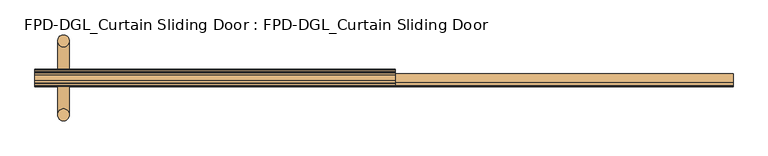
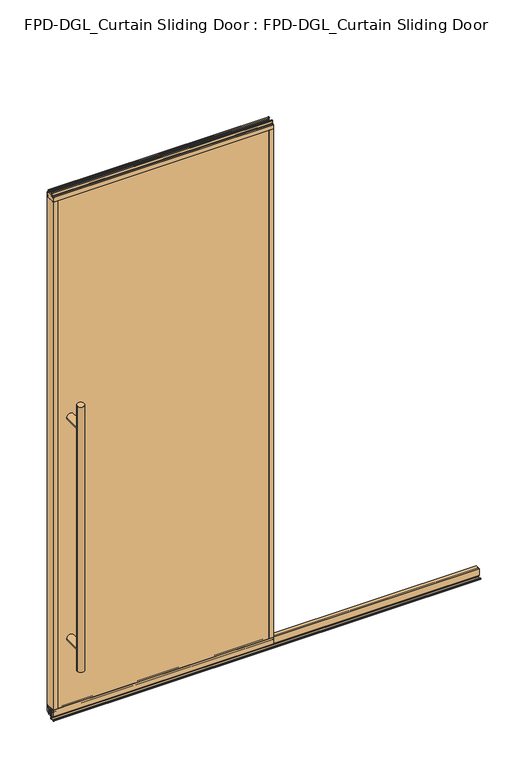
"""IFC4 building model written with IfcOpenShell, lengths in millimetres: door geometry, FPD-DGL_Curtain Sliding Door : FPD-DGL_Curtain Sliding Door."""

from ifc_helpers import new_model, si_unit, point, frame, frame_2d, origin, place, context, project, spatial, polyline, circle_curve, ellipse_curve, trimmed, segment, composite_curve, outline, extrude, source, transform, mapped, element, save
from ifc_brep_helpers import plane_surface, cylinder_surface, advanced_brep


def fpd_dgl_curtain_sliding_door_fpd_dgl_curtain_sliding_door_99ada0b1(model_context):
    return source(origin(), model_context, "Body", "SolidModel", [
        advanced_brep(
        [(-388.1311041, -35.128049, 1473.2), (-419.8811041, -35.128049, 1473.2), (-388.1311041, 162.0969566, 1473.2), (-419.8811041, 162.0969566, 1473.2), (-388.1311041, -35.128049, 254.0), (-419.8811041, -35.128049, 254.0), (-388.1311041, 162.0969566, 254.0), (-419.8811041, 162.0969566, 254.0), (-388.1311041, -35.128049, 1371.6), (-419.8811041, -35.128049, 1371.6), (-419.8811041, -35.128049, 355.6), (-388.1311041, -35.128049, 355.6), (-388.1311041, 162.0969566, 1371.6), (-388.1311041, 162.0969566, 355.6), (-419.8811041, 162.0969566, 355.6), (-419.8811041, 162.0969566, 1371.6)],
        [
            (0, 1, circle_curve(frame((-404.0061041, -35.128049, 1473.2), z_axis=(0.0, 0.0, 1.0), x_axis=(-1.0, 0.0, 0.0)), 15.875)),
            (1, 0, circle_curve(frame((-404.0061041, -35.128049, 1473.2), z_axis=(0.0, 0.0, 1.0), x_axis=(-1.0, 0.0, 0.0)), 15.875)),
            (2, 3, circle_curve(frame((-404.0061041, 162.0969566, 1473.2), z_axis=(0.0, 0.0, 1.0), x_axis=(-1.0, 0.0, 0.0)), 15.875)),
            (3, 2, circle_curve(frame((-404.0061041, 162.0969566, 1473.2), z_axis=(0.0, 0.0, 1.0), x_axis=(-1.0, 0.0, 0.0)), 15.875)),
            (4, 5, circle_curve(frame((-404.0061041, -35.128049, 254.0), z_axis=(0.0, 0.0, -1.0), x_axis=(-1.0, 0.0, 0.0)), 15.875)),
            (5, 4, circle_curve(frame((-404.0061041, -35.128049, 254.0), z_axis=(0.0, 0.0, -1.0), x_axis=(-1.0, 0.0, 0.0)), 15.875)),
            (6, 7, circle_curve(frame((-404.0061041, 162.0969566, 254.0), z_axis=(0.0, 0.0, -1.0), x_axis=(-1.0, 0.0, 0.0)), 15.875)),
            (7, 6, circle_curve(frame((-404.0061041, 162.0969566, 254.0), z_axis=(0.0, 0.0, -1.0), x_axis=(-1.0, 0.0, 0.0)), 15.875)),
            (0, 8),
            (8, 9, ellipse_curve(frame((-404.0061041, -35.128049, 1371.6), z_axis=(0.0, -0.7071067811865525, 0.7071067811865427), x_axis=(0.0, 0.7071067811865427, 0.7071067811865523)), 22.4506403, 15.875)),
            (9, 1),
            (5, 10),
            (10, 11, ellipse_curve(frame((-404.0061041, -35.128049, 355.6), z_axis=(0.0, -0.7071067811865525, -0.7071067811865427), x_axis=(0.0, -0.7071067811865427, 0.7071067811865523)), 22.4506403, 15.875)),
            (11, 4),
            (8, 11),
            (11, 10, ellipse_curve(frame((-404.0061041, -35.128049, 355.6), z_axis=(0.0, -0.7071067811865427, 0.7071067811865525), x_axis=(0.0, 0.7071067811865525, 0.7071067811865425)), 22.4506403, 15.875)),
            (10, 9),
            (9, 8, ellipse_curve(frame((-404.0061041, -35.128049, 1371.6), z_axis=(0.0, -0.7071067811865427, -0.7071067811865525), x_axis=(0.0, -0.7071067811865525, 0.7071067811865425)), 22.4506403, 15.875)),
            (2, 12),
            (12, 13),
            (13, 6),
            (7, 14),
            (14, 15),
            (15, 3),
            (15, 12, ellipse_curve(frame((-404.0061041, 162.0969566, 1371.6), z_axis=(0.0, 0.7071067811865427, 0.7071067811865525), x_axis=(0.0, -0.7071067811865525, 0.7071067811865425)), 22.4506403, 15.875)),
            (13, 14, ellipse_curve(frame((-404.0061041, 162.0969566, 355.6), z_axis=(0.0, 0.7071067811865427, -0.7071067811865525), x_axis=(0.0, 0.7071067811865525, 0.7071067811865425)), 22.4506403, 15.875)),
            (12, 15, ellipse_curve(frame((-404.0061041, 162.0969566, 1371.6), z_axis=(0.0, 0.7071067811865525, -0.7071067811865427), x_axis=(0.0, 0.7071067811865427, 0.7071067811865523)), 22.4506403, 15.875)),
            (14, 13, ellipse_curve(frame((-404.0061041, 162.0969566, 355.6), z_axis=(0.0, 0.7071067811865525, 0.7071067811865427), x_axis=(0.0, -0.7071067811865427, 0.7071067811865523)), 22.4506403, 15.875)),
            (9, 15),
            (12, 8),
            (10, 14),
            (13, 11),
        ],
        [
            plane_surface(frame((-304.8987034, 63.5, 1473.2), z_axis=(0.0, 0.0, 1.0), x_axis=(0.0, -1.0, 0.0))),
            plane_surface(frame((-304.8987034, 63.5, 254.0), z_axis=(0.0, 0.0, -1.0), x_axis=(0.0, -1.0, 0.0))),
            cylinder_surface(frame((-404.0061041, -35.128049, 1473.2), z_axis=(0.0, 0.0, 1.0), x_axis=(-1.0, 0.0, 0.0)), 15.875),
            cylinder_surface(frame((-404.0061041, 162.0969566, 1473.2), z_axis=(0.0, 0.0, 1.0), x_axis=(-1.0, 0.0, 0.0)), 15.875),
            cylinder_surface(frame((-404.0061041, 162.0969566, 1371.6), z_axis=(0.0, -1.0, 0.0), x_axis=(1.0, 0.0, 0.0)), 15.875),
            cylinder_surface(frame((-404.0061041, 63.5, 355.6), z_axis=(0.0, -1.0, 0.0), x_axis=(1.0, 0.0, 0.0)), 15.875),
        ],
        [
            (0, [[1, 2]]),
            (0, [[3, 4]]),
            (1, [[5, 6]]),
            (1, [[7, 8]]),
            (2, [[-1, 9, 10, 11]]),
            (2, [[-6, 12, 13, 14]]),
            (2, [[15, 16, 17, 18]]),
            (2, [[-2, -11, -17, -12, -5, -14, -15, -9]]),
            (3, [[-3, 19, 20, 21, -8, 22, 23, 24]]),
            (3, [[-4, -24, 25, -19]]),
            (3, [[-7, -21, 26, -22]]),
            (3, [[-20, 27, -23, 28]]),
            (4, [[29, -27, 30, -18]]),
            (4, [[-29, -10, -30, -25]]),
            (5, [[31, -26, 32, -13]]),
            (5, [[-31, -16, -32, -28]]),
        ],
    ),
        extrude(outline(composite_curve([segment(trimmed(circle_curve(frame_2d((58.5185794, 1.1714386)), 1.1684), [point((59.6869794, 1.1714386))], [point((58.5185794, 0.0030387))], False, "CARTESIAN"), True, "CONTINUOUS"), segment(polyline([(58.5185794, 0.0030387), (40.8401797, 0.0030387)]), True, "CONTINUOUS"), segment(trimmed(circle_curve(frame_2d((40.8401797, 1.1714386)), 1.1684), [point((40.8401797, 0.0030387))], [point((39.6717797, 1.1714386))], False, "CARTESIAN"), True, "CONTINUOUS"), segment(polyline([(39.6717797, 1.1714386), (39.6717797, 4.0416386)]), True, "CONTINUOUS"), segment(trimmed(circle_curve(frame_2d((40.8401797, 4.0416386)), 1.1684), [point((39.6717797, 4.0416386))], [point((40.8401797, 5.2100386))], False, "CARTESIAN"), True, "CONTINUOUS"), segment(polyline([(40.8401797, 5.2100386), (43.4288569, 5.2100386), (43.4288569, 4.4232339), (40.4337797, 4.4232339), (40.4337797, 0.7650387), (58.9122794, 0.7650387), (58.9122794, 4.3138948), (56.2262294, 4.3138948), (56.2262294, 5.1338386), (58.9336188, 5.1338386)]), True, "CONTINUOUS"), segment(trimmed(circle_curve(frame_2d((58.5185794, 4.0416386)), 1.1684), [point((58.9336188, 5.1338386))], [point((59.6869794, 4.0416386))], False, "CARTESIAN"), True, "CONTINUOUS"), segment(polyline([(59.6869794, 4.0416386), (59.6869794, 1.1714386)]), True, "CONTINUOUS")], self_intersect=False)), frame((-480.2061041, 0.0, 0.0), z_axis=(1.0, 0.0, 0.0), x_axis=(0.0, 1.0, 0.0)), (0.0, 0.0, 1.0), 1862.1122082),
        extrude(outline(composite_curve([segment(polyline([(74.4646139, 41.6030387), (74.4646139, 11.6839647), (73.4646139, 11.6839647), (73.4646139, 33.5017657), (72.0747815, 33.5017657), (72.0747815, 34.3040626), (73.4646139, 34.3040626), (73.4646139, 35.6040627), (62.6646138, 35.6040627), (62.6646138, 34.3040626), (64.0544462, 34.3040626), (64.0544462, 33.5017657), (62.6646138, 33.5017657), (62.6646138, 11.6839647), (61.0646135, 11.6839647), (61.0646135, 39.1243868)]), True, "CONTINUOUS"), segment(trimmed(circle_curve(frame_2d((60.0857402, 39.1243868)), 0.9788733), [point((61.0646135, 39.1243868))], [point((60.0857402, 40.1032601))], True, "CARTESIAN"), True, "CONTINUOUS"), segment(polyline([(60.0857402, 40.1032601), (54.9969627, 40.1032601)]), True, "CONTINUOUS"), segment(trimmed(circle_curve(frame_2d((54.9969627, 39.1709995)), 0.9322606), [point((54.9969627, 40.1032601))], [point((54.064702, 39.1709995))], True, "CARTESIAN"), True, "CONTINUOUS"), segment(polyline([(54.064702, 39.1709995), (54.064702, 11.6839647), (52.5646141, 11.6839647), (52.5646141, 41.6030387), (74.4646139, 41.6030387)]), True, "CONTINUOUS")], self_intersect=False)), frame((-480.2061041, 0.0, 0.0), z_axis=(1.0, 0.0, 0.0), x_axis=(0.0, 1.0, 0.0)), (0.0, 0.0, 1.0), 1862.1122082),
        extrude(outline(composite_curve([segment(polyline([(49.1758097, 48.6471016), (77.8241903, 48.6471016), (77.8241903, 47.6299627), (76.4571771, 47.6299627), (76.4571771, 41.3613764)]), True, "CONTINUOUS"), segment(trimmed(circle_curve(frame_2d((78.772652, 41.3613764)), 2.3154748), [point((76.4571771, 41.3613764))], [point((78.772652, 39.0459016))], True, "CARTESIAN"), True, "CONTINUOUS"), segment(polyline([(78.772652, 39.0459016), (83.7603754, 39.0522555)]), True, "CONTINUOUS"), segment(trimmed(circle_curve(frame_2d((83.662177, 39.8079016)), 0.762), [point((83.7603754, 39.0522555))], [point((84.424177, 39.8079016))], True, "CARTESIAN"), True, "CONTINUOUS"), segment(polyline([(84.424177, 39.8079016), (84.424177, 48.6471016), (85.7241745, 48.6471016), (85.7241745, 19.0059017), (76.6027622, 19.0059017), (76.6027622, 15.875), (74.6984721, 15.875), (74.6984721, 47.0470737), (52.3015279, 47.0470737), (52.3015279, 15.875), (50.3972378, 15.875), (50.3972378, 19.0059017), (41.2758255, 19.0059017), (41.2758255, 48.6471016), (42.575823, 48.6471016), (42.575823, 39.8079016)]), True, "CONTINUOUS"), segment(trimmed(circle_curve(frame_2d((43.337823, 39.8079016)), 0.762), [point((42.575823, 39.8079016))], [point((43.2396246, 39.0522555))], True, "CARTESIAN"), True, "CONTINUOUS"), segment(polyline([(43.2396246, 39.0522555), (48.227348, 39.0459016)]), True, "CONTINUOUS"), segment(trimmed(circle_curve(frame_2d((48.227348, 41.3613764)), 2.3154748), [point((48.227348, 39.0459016))], [point((50.5428229, 41.3613764))], True, "CARTESIAN"), True, "CONTINUOUS"), segment(polyline([(50.5428229, 41.3613764), (50.5428229, 47.6299627), (49.1758097, 47.6299627), (49.1758097, 48.6471016)]), True, "CONTINUOUS")], self_intersect=False)), frame((-480.2061041, 0.0, 0.0), z_axis=(1.0, 0.0, 0.0), x_axis=(0.0, 1.0, 0.0)), (0.0, 0.0, 1.0), 960.4122082),
        extrude(outline(composite_curve([segment(polyline([(55.1000175, 2419.5752356), (55.1000175, 2417.5752396), (51.5000248, 2417.5752396), (51.5000248, 2409.0752566)]), True, "CONTINUOUS"), segment(trimmed(circle_curve(frame_2d((52.0000238, 2409.0752566)), 0.499999), [point((51.5000248, 2409.0752566))], [point((52.0000238, 2408.5752576))], True, "CARTESIAN"), True, "CONTINUOUS"), segment(polyline([(52.0000238, 2408.5752576), (74.9999762, 2408.5752576)]), True, "CONTINUOUS"), segment(trimmed(circle_curve(frame_2d((74.9999762, 2409.0752566)), 0.499999), [point((74.9999762, 2408.5752576))], [point((75.4999752, 2409.0752566))], True, "CARTESIAN"), True, "CONTINUOUS"), segment(polyline([(75.4999752, 2409.0752566), (75.4999752, 2417.5752396), (71.8999825, 2417.5752396), (71.8999825, 2419.5752356), (76.9046588, 2419.5752356)]), True, "CONTINUOUS"), segment(trimmed(circle_curve(frame_2d((76.9046588, 2418.9799231)), 0.5953125), [point((76.9046588, 2419.5752356))], [point((77.4999713, 2418.9799231))], False, "CARTESIAN"), True, "CONTINUOUS"), segment(polyline([(77.4999713, 2418.9799231), (77.4999713, 2407.6119214)]), True, "CONTINUOUS"), segment(trimmed(circle_curve(frame_2d((79.4190752, 2407.6119214)), 1.919104), [point((77.4999713, 2407.6119214))], [point((79.4190752, 2405.6928175))], True, "CARTESIAN"), True, "CONTINUOUS"), segment(polyline([(79.4190752, 2405.6928175), (84.9249567, 2405.6928175)]), True, "CONTINUOUS"), segment(trimmed(circle_curve(frame_2d((84.9249567, 2404.8928191)), 0.7999984), [point((84.9249567, 2405.6928175))], [point((85.7249551, 2404.8928191))], False, "CARTESIAN"), True, "CONTINUOUS"), segment(polyline([(85.7249551, 2404.8928191), (85.7249551, 2386.0078176), (84.4249577, 2386.0078176), (84.4249577, 2396.1077976)]), True, "CONTINUOUS"), segment(trimmed(circle_curve(frame_2d((83.9249587, 2396.1077976)), 0.499999), [point((84.4249577, 2396.1077976))], [point((83.9249587, 2396.6077966))], True, "CARTESIAN"), True, "CONTINUOUS"), segment(polyline([(83.9249587, 2396.6077966), (77.8249714, 2396.6077966), (77.8249714, 2386.0078176), (49.1750289, 2386.0078176), (49.1750289, 2396.6077966), (43.0750413, 2396.6077966)]), True, "CONTINUOUS"), segment(trimmed(circle_curve(frame_2d((43.0750413, 2396.1077976)), 0.499999), [point((43.0750413, 2396.6077966))], [point((42.5750423, 2396.1077976))], True, "CARTESIAN"), True, "CONTINUOUS"), segment(polyline([(42.5750423, 2396.1077976), (42.5750423, 2386.0078176), (41.2750446, 2386.0078176), (41.2750446, 2404.8928191)]), True, "CONTINUOUS"), segment(trimmed(circle_curve(frame_2d((42.0750432, 2404.8928191)), 0.7999985), [point((41.2750446, 2404.8928191))], [point((42.0750432, 2405.6928176))], False, "CARTESIAN"), True, "CONTINUOUS"), segment(polyline([(42.0750432, 2405.6928176), (47.5809248, 2405.6928176)]), True, "CONTINUOUS"), segment(trimmed(circle_curve(frame_2d((47.5809248, 2407.6119216)), 1.919104), [point((47.5809248, 2405.6928176))], [point((49.5000287, 2407.6119216))], True, "CARTESIAN"), True, "CONTINUOUS"), segment(polyline([(49.5000287, 2407.6119216), (49.5000287, 2418.9799231)]), True, "CONTINUOUS"), segment(trimmed(circle_curve(frame_2d((50.0953412, 2418.9799231)), 0.5953125), [point((49.5000287, 2418.9799231))], [point((50.0953412, 2419.5752356))], False, "CARTESIAN"), True, "CONTINUOUS"), segment(polyline([(50.0953412, 2419.5752356), (55.1000175, 2419.5752356)]), True, "CONTINUOUS")], self_intersect=False)), frame((-480.2061041, 0.0, 0.0), z_axis=(1.0, 0.0, 0.0), x_axis=(0.0, 1.0, 0.0)), (0.0, 0.0, 1.0), 960.4122082),
        extrude(outline(polyline([(470.2692551, 84.4265993), (470.2692551, 77.825), (-470.2692551, 77.825), (-470.2692551, 84.4265993), (470.2692551, 84.4265993)])), frame((0.0, 0.0, 39.1580021), z_axis=(0.0, 0.0, 1.0), x_axis=(1.0, 0.0, 0.0)), (0.0, 0.0, 1.0), 2357.1832522),
        extrude(outline(polyline([(-470.2692551, 49.175), (470.2692551, 49.175), (470.2692551, 42.5734007), (-470.2692551, 42.5734007), (-470.2692551, 49.175)])), frame((0.0, 0.0, 39.1580021), z_axis=(0.0, 0.0, 1.0), x_axis=(1.0, 0.0, 0.0)), (0.0, 0.0, 1.0), 2357.1832522),
        extrude(outline(composite_curve([segment(polyline([(-480.2061041, 85.725), (-459.6692551, 85.725), (-459.6692551, 84.4265993), (-469.7612551, 84.4265993)]), True, "CONTINUOUS"), segment(trimmed(circle_curve(frame_2d((-469.7612551, 83.9185993)), 0.508), [point((-469.7612551, 84.4265993))], [point((-470.2692551, 83.9185993))], True, "CARTESIAN"), True, "CONTINUOUS"), segment(polyline([(-470.2692551, 83.9185993), (-470.2692551, 81.9404), (-471.469255, 81.9404), (-471.469255, 84.4202), (-478.402704, 84.4202), (-478.402704, 72.745198), (-471.469255, 72.745198), (-471.469255, 77.825), (-459.6692551, 77.825), (-459.6692551, 49.175), (-471.469255, 49.175), (-471.469255, 54.254802), (-478.402704, 54.254802), (-478.402704, 42.5798), (-471.469255, 42.5798), (-471.469255, 45.0596), (-470.2692551, 45.0596), (-470.2692551, 43.1025937)]), True, "CONTINUOUS"), segment(trimmed(circle_curve(frame_2d((-469.7400614, 43.1025937)), 0.5291937), [point((-470.2692551, 43.1025937))], [point((-469.7400614, 42.5734))], True, "CARTESIAN"), True, "CONTINUOUS"), segment(polyline([(-469.7400614, 42.5734), (-459.6692551, 42.5734), (-459.6692551, 41.275), (-480.2061041, 41.275), (-480.2061041, 85.725)]), True, "CONTINUOUS")], self_intersect=False)), frame((0.0, 0.0, 48.6471016), z_axis=(0.0, 0.0, 1.0), x_axis=(1.0, 0.0, 0.0)), (0.0, 0.0, 1.0), 2337.360716),
        extrude(outline(composite_curve([segment(polyline([(480.2061041, 85.725), (480.2061041, 41.275), (459.6692551, 41.275), (459.6692551, 42.5734), (469.7400614, 42.5734)]), True, "CONTINUOUS"), segment(trimmed(circle_curve(frame_2d((469.7400614, 43.1025937)), 0.5291937), [point((469.7400614, 42.5734))], [point((470.2692551, 43.1025937))], True, "CARTESIAN"), True, "CONTINUOUS"), segment(polyline([(470.2692551, 43.1025937), (470.2692551, 45.0596), (471.469255, 45.0596), (471.469255, 42.5798), (478.402704, 42.5798), (478.402704, 54.254802), (471.469255, 54.254802), (471.469255, 49.175), (459.6692552, 49.175), (459.6692552, 77.825), (471.469255, 77.825), (471.469255, 72.745198), (478.402704, 72.745198), (478.402704, 84.4202), (471.469255, 84.4202), (471.469255, 81.9404), (470.2692551, 81.9404), (470.2692551, 83.9185993)]), True, "CONTINUOUS"), segment(trimmed(circle_curve(frame_2d((469.7612551, 83.9185993)), 0.508), [point((470.2692551, 83.9185993))], [point((469.7612551, 84.4265993))], True, "CARTESIAN"), True, "CONTINUOUS"), segment(polyline([(469.7612551, 84.4265993), (459.6692551, 84.4265993), (459.6692551, 85.725), (480.2061041, 85.725)]), True, "CONTINUOUS")], self_intersect=False)), frame((0.0, 0.0, 48.6471016), z_axis=(0.0, 0.0, 1.0), x_axis=(1.0, 0.0, 0.0)), (0.0, 0.0, 1.0), 2337.360716),
    ])


if __name__ == "__main__":
    model = new_model("IFC4")
    model_context = context("Model", 3, world=origin())
    ifc_project = project(units=[si_unit("LENGTHUNIT", "METRE", prefix="MILLI")], contexts=[model_context])
    site = spatial("IfcSite", under=ifc_project)
    building = spatial("IfcBuilding", under=site)
    placement = place(None, origin())
    fpd_dgl_curtain_sliding_door_fpd_dgl_curtain_sliding_door_shape = fpd_dgl_curtain_sliding_door_fpd_dgl_curtain_sliding_door_99ada0b1(model_context)
    element("IfcDoor", 1, ObjectType="FPD-DGL_Curtain Sliding Door : FPD-DGL_Curtain Sliding Door", at=placement, inside=building, context=model_context, shape_type="MappedRepresentation", body=[
        mapped(fpd_dgl_curtain_sliding_door_fpd_dgl_curtain_sliding_door_shape, transform((0.0, 0.0, 0.0), x_axis=(1.0, 0.0, 0.0), y_axis=(0.0, 1.0, 0.0), z_axis=(0.0, 0.0, 1.0))),
    ])
    save(model, "model.ifc")
